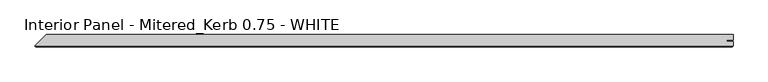
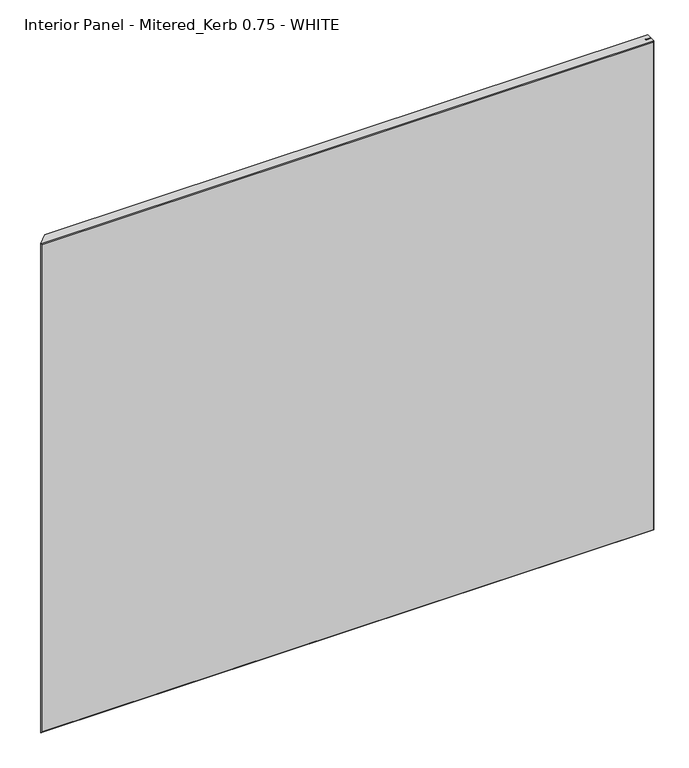
"""IFC4 building model written with IfcOpenShell, lengths in millimetres: proxy geometry, Interior Panel - Mitered_Kerb 0.75 - WHITE."""

from ifc_helpers import new_model, si_unit, origin, place, context, project, spatial, faceted_brep, source, transform, mapped, element, save


def interior_panel_mitered_kerb_0_75_white_8af58c22(model_context):
    return source(origin(), model_context, "Body", "Brep", [
        faceted_brep([(1010.9398437, 3.175, 914.4), (-55.5625, 3.175, 914.4), (-73.025, -14.2875, 914.4), (1010.9398437, -14.2875, 914.4), (1010.9398437, -7.4168, 914.4), (1001.1171875, -7.4168, 914.4), (1001.1171875, -5.2832, 914.4), (1010.9398437, -5.2832, 914.4), (1010.9398437, 3.175, 0.0), (1010.9398437, -5.2832, 0.0), (1001.1171875, -5.2832, 0.0), (1001.1171875, -7.4168, 0.0), (1010.9398437, -7.4168, 0.0), (1010.9398437, -14.2875, 0.0), (-73.025, -14.2875, 0.0), (-55.5625, 3.175, 0.0), (-71.4375, -15.875, 912.8125), (-71.4375, -15.875, 1.5875), (1009.3523437, -15.875, 1.5875), (1009.3523437, -15.875, 912.8125)], [[[0, 1, 2, 3, 4, 5, 6, 7]], [[8, 9, 10, 11, 12, 13, 14, 15]], [[1, 0, 8, 15]], [[16, 17, 18, 19]], [[4, 3, 13, 12]], [[13, 3, 19, 18]], [[3, 2, 16, 19]], [[14, 13, 18, 17]], [[5, 4, 12, 11]], [[6, 5, 11, 10]], [[7, 6, 10, 9]], [[0, 7, 9, 8]], [[2, 14, 17, 16]], [[2, 1, 15, 14]]]),
    ])


if __name__ == "__main__":
    model = new_model("IFC4")
    model_context = context("Model", 3, world=origin())
    ifc_project = project(units=[si_unit("LENGTHUNIT", "METRE", prefix="MILLI")], contexts=[model_context])
    site = spatial("IfcSite", under=ifc_project)
    building = spatial("IfcBuilding", under=site)
    placement = place(None, origin())
    interior_panel_mitered_kerb_0_75_white_shape = interior_panel_mitered_kerb_0_75_white_8af58c22(model_context)
    element("IfcBuildingElementProxy", 1, Name="Interior Panel - Mitered_Kerb 0.75 - WHITE", ObjectType="Interior Panel - Mitered_Kerb 0.75 - WHITE", at=placement, inside=building, context=model_context, shape_type="MappedRepresentation", body=[
        mapped(interior_panel_mitered_kerb_0_75_white_shape, transform((0.0, 0.0, 0.0), x_axis=(1.0, 0.0, 0.0), y_axis=(0.0, 1.0, 0.0), z_axis=(0.0, 0.0, 1.0))),
    ])
    save(model, "model.ifc")
